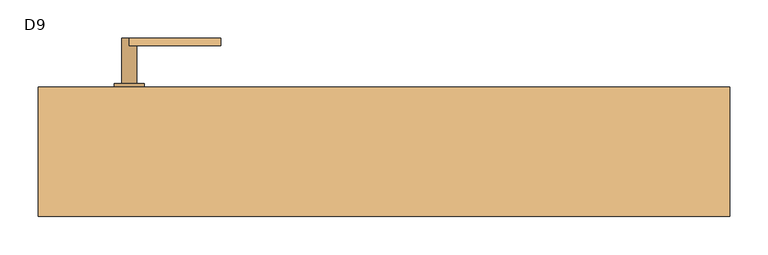
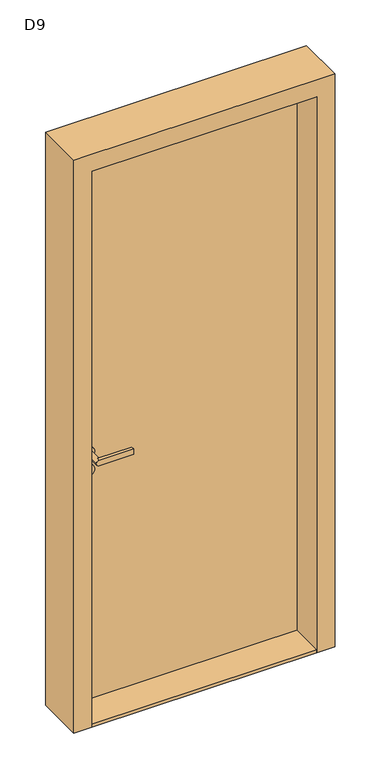
"""IFC4 building model written with IfcOpenShell, lengths in millimetres: door geometry, D9."""

from ifc_helpers import new_model, si_unit, point, frame, frame_2d, origin, origin_with_axes, place, context, project, spatial, polyline, circle_curve, trimmed, segment, composite_curve, outline, extrude, source, transform, mapped, element, save
from ifc_brep_helpers import plane_surface, cylinder_surface, advanced_brep


def d9_ddbd5aa5(model_context):
    return source(origin(), model_context, "Body", "SolidModel", [
        extrude(outline(composite_curve([segment(trimmed(circle_curve(frame_2d((920.0, -335.0)), 20.0), [point((920.0, -355.0))], [point((920.0, -315.0))], False, "CARTESIAN"), True, "CONTINUOUS"), segment(trimmed(circle_curve(frame_2d((920.0, -335.0)), 20.0), [point((920.0, -315.0))], [point((920.0, -355.0))], False, "CARTESIAN"), True, "CONTINUOUS")], self_intersect=False)), frame((0.0, 30.0, 0.0), z_axis=(0.0, 1.0, 0.0), x_axis=(0.0, 0.0, 1.0)), (0.0, 0.0, 1.0), 5.0),
        advanced_brep(
        [(-335.0, -30.0, 910.0), (-215.0, -30.0, 910.0), (-215.0, -30.0, 930.0), (-335.0, -30.0, 930.0), (-345.0, -30.0, 920.0), (-335.0, -20.0, 930.0), (-215.0, -20.0, 930.0), (-215.0, -20.0, 910.0), (-335.0, -20.0, 910.0), (-325.0, -20.0, 920.0), (-345.0, 30.0, 920.0), (-325.0, 30.0, 920.0)],
        [
            (0, 1),
            (1, 2),
            (2, 3),
            (3, 4, circle_curve(frame((-335.0, -30.0, 920.0), z_axis=(0.0, -1.0, 0.0), x_axis=(1.0, 0.0, 0.0)), 10.0)),
            (4, 0, circle_curve(frame((-335.0, -30.0, 920.0), z_axis=(0.0, -1.0, 0.0), x_axis=(1.0, 0.0, 0.0)), 10.0)),
            (5, 6),
            (6, 7),
            (7, 8),
            (8, 9, circle_curve(frame((-335.0, -20.0, 920.0), z_axis=(0.0, -1.0, 0.0), x_axis=(1.0, 0.0, 0.0)), 10.0)),
            (9, 5, circle_curve(frame((-335.0, -20.0, 920.0), z_axis=(0.0, -1.0, 0.0), x_axis=(1.0, 0.0, 0.0)), 10.0)),
            (0, 8),
            (7, 1),
            (6, 2),
            (5, 3),
            (10, 11, circle_curve(frame((-335.0, 30.0, 920.0), z_axis=(0.0, 1.0, 0.0), x_axis=(1.0, 0.0, 0.0)), 10.0)),
            (11, 10, circle_curve(frame((-335.0, 30.0, 920.0), z_axis=(0.0, 1.0, 0.0), x_axis=(1.0, 0.0, 0.0)), 10.0)),
            (11, 9),
            (4, 10),
        ],
        [
            plane_surface(frame((-348.6268847, -30.0, 910.0), z_axis=(0.0, -1.0, 0.0), x_axis=(1.0, 0.0, 0.0))),
            plane_surface(frame((-348.6268847, -20.0, 910.0), z_axis=(0.0, 1.0, 0.0), x_axis=(-1.0, 0.0, 0.0))),
            plane_surface(frame((-335.0, -30.0, 910.0), z_axis=(0.0, 0.0, -1.0), x_axis=(0.0, 1.0, 0.0))),
            plane_surface(frame((-215.0, -30.0, 910.0), z_axis=(1.0, 0.0, 0.0), x_axis=(0.0, 1.0, 0.0))),
            plane_surface(frame((-215.0, -30.0, 930.0), z_axis=(0.0, 0.0, 1.0), x_axis=(0.0, 1.0, 0.0))),
            plane_surface(frame((-325.0, 30.0, 920.0), z_axis=(0.0, 1.0, 0.0), x_axis=(0.0, 0.0, -1.0))),
            cylinder_surface(frame((-335.0, 30.0, 920.0), z_axis=(0.0, -1.0, 0.0), x_axis=(1.0, 0.0, 0.0)), 10.0),
        ],
        [
            (0, [[1, 2, 3, 4, 5]]),
            (1, [[6, 7, 8, 9, 10]]),
            (2, [[-1, 11, -8, 12]]),
            (3, [[-2, -12, -7, 13]]),
            (4, [[-3, -13, -6, 14]]),
            (5, [[15, 16]]),
            (6, [[-16, 17, -9, -11, -5, 18]]),
            (6, [[-15, -18, -4, -14, -10, -17]]),
        ],
    ),
        extrude(outline(composite_curve([segment(trimmed(circle_curve(frame_2d((855.0, -335.0)), 20.0), [point((855.0, -355.0))], [point((855.0, -315.0))], False, "CARTESIAN"), True, "CONTINUOUS"), segment(trimmed(circle_curve(frame_2d((855.0, -335.0)), 20.0), [point((855.0, -315.0))], [point((855.0, -355.0))], False, "CARTESIAN"), True, "CONTINUOUS")], self_intersect=False)), frame((0.0, 30.0, 0.0), z_axis=(0.0, 1.0, 0.0), x_axis=(0.0, 0.0, 1.0)), (0.0, 0.0, 1.0), 5.0),
        extrude(outline(composite_curve([segment(trimmed(circle_curve(frame_2d((920.0, -335.0)), 20.0), [point((920.0, -355.0))], [point((920.0, -315.0))], False, "CARTESIAN"), True, "CONTINUOUS"), segment(trimmed(circle_curve(frame_2d((920.0, -335.0)), 20.0), [point((920.0, -315.0))], [point((920.0, -355.0))], False, "CARTESIAN"), True, "CONTINUOUS")], self_intersect=False)), frame((0.0, 85.0, 0.0), z_axis=(0.0, 1.0, 0.0), x_axis=(0.0, 0.0, 1.0)), (0.0, 0.0, 1.0), 5.0),
        advanced_brep(
        [(-335.0, 150.0, 910.0), (-345.0, 150.0, 920.0), (-335.0, 150.0, 930.0), (-215.0, 150.0, 930.0), (-215.0, 150.0, 910.0), (-335.0, 140.0, 930.0), (-325.0, 140.0, 920.0), (-335.0, 140.0, 910.0), (-215.0, 140.0, 910.0), (-215.0, 140.0, 930.0), (-345.0, 90.0, 920.0), (-325.0, 90.0, 920.0)],
        [
            (0, 1, circle_curve(frame((-335.0, 150.0, 920.0), z_axis=(0.0, 1.0, 0.0), x_axis=(1.0, 0.0, 0.0)), 10.0)),
            (1, 2, circle_curve(frame((-335.0, 150.0, 920.0), z_axis=(0.0, 1.0, 0.0), x_axis=(1.0, 0.0, 0.0)), 10.0)),
            (2, 3),
            (3, 4),
            (4, 0),
            (5, 6, circle_curve(frame((-335.0, 140.0, 920.0), z_axis=(0.0, 1.0, 0.0), x_axis=(1.0, 0.0, 0.0)), 10.0)),
            (6, 7, circle_curve(frame((-335.0, 140.0, 920.0), z_axis=(0.0, 1.0, 0.0), x_axis=(1.0, 0.0, 0.0)), 10.0)),
            (7, 8),
            (8, 9),
            (9, 5),
            (4, 8),
            (7, 0),
            (3, 9),
            (2, 5),
            (10, 11, circle_curve(frame((-335.0, 90.0, 920.0), z_axis=(0.0, -1.0, 0.0), x_axis=(1.0, 0.0, 0.0)), 10.0)),
            (11, 10, circle_curve(frame((-335.0, 90.0, 920.0), z_axis=(0.0, -1.0, 0.0), x_axis=(1.0, 0.0, 0.0)), 10.0)),
            (10, 1),
            (6, 11),
        ],
        [
            plane_surface(frame((-348.6268847, 150.0, 910.0), z_axis=(0.0, 1.0, 0.0), x_axis=(1.0, 0.0, 0.0))),
            plane_surface(frame((-348.6268847, 140.0, 910.0), z_axis=(0.0, -1.0, 0.0), x_axis=(-1.0, 0.0, 0.0))),
            plane_surface(frame((-335.0, 150.0, 910.0), z_axis=(0.0, 0.0, -1.0), x_axis=(0.0, -1.0, 0.0))),
            plane_surface(frame((-215.0, 150.0, 910.0), z_axis=(1.0, 0.0, 0.0), x_axis=(0.0, -1.0, 0.0))),
            plane_surface(frame((-215.0, 150.0, 930.0), z_axis=(0.0, 0.0, 1.0), x_axis=(0.0, -1.0, 0.0))),
            plane_surface(frame((-325.0, 90.0, 920.0), z_axis=(0.0, -1.0, 0.0), x_axis=(0.0, 0.0, -1.0))),
            cylinder_surface(frame((-335.0, 90.0, 920.0), z_axis=(0.0, 1.0, 0.0), x_axis=(1.0, 0.0, 0.0)), 10.0),
        ],
        [
            (0, [[1, 2, 3, 4, 5]]),
            (1, [[6, 7, 8, 9, 10]]),
            (2, [[11, -8, 12, -5]]),
            (3, [[13, -9, -11, -4]]),
            (4, [[14, -10, -13, -3]]),
            (5, [[15, 16]]),
            (6, [[17, -1, -12, -7, 18, -15]]),
            (6, [[-18, -6, -14, -2, -17, -16]]),
        ],
    ),
        extrude(outline(composite_curve([segment(trimmed(circle_curve(frame_2d((855.0, -335.0)), 20.0), [point((855.0, -355.0))], [point((855.0, -315.0))], False, "CARTESIAN"), True, "CONTINUOUS"), segment(trimmed(circle_curve(frame_2d((855.0, -335.0)), 20.0), [point((855.0, -315.0))], [point((855.0, -355.0))], False, "CARTESIAN"), True, "CONTINUOUS")], self_intersect=False)), frame((0.0, 85.0, 0.0), z_axis=(0.0, 1.0, 0.0), x_axis=(0.0, 0.0, 1.0)), (0.0, 0.0, 1.0), 5.0),
        extrude(outline(polyline([(-392.5, 85.0), (392.5, 85.0), (392.5, 35.0), (-392.5, 35.0), (-392.5, 85.0)])), frame((0.0, 0.0, 10.0), z_axis=(0.0, 0.0, 1.0), x_axis=(1.0, 0.0, 0.0)), (0.0, 0.0, 1.0), 2037.5),
        extrude(outline(polyline([(2110.0, 455.0), (2110.0, -455.0), (0.0, -455.0), (0.0, -392.5), (2047.5, -392.5), (2047.5, 392.5), (0.0, 392.5), (0.0, 455.0), (2110.0, 455.0)])), frame((0.0, -85.0, 0.0), z_axis=(0.0, 1.0, 0.0), x_axis=(0.0, 0.0, 1.0)), (0.0, 0.0, 1.0), 170.0),
        extrude(outline(polyline([(-392.5, -85.0), (-392.5, 85.0), (392.5, 85.0), (392.5, -85.0), (-392.5, -85.0)])), origin_with_axes(), (0.0, 0.0, 1.0), 10.0),
    ])


if __name__ == "__main__":
    model = new_model("IFC4")
    model_context = context("Model", 3, world=origin())
    ifc_project = project(units=[si_unit("LENGTHUNIT", "METRE", prefix="MILLI")], contexts=[model_context])
    site = spatial("IfcSite", under=ifc_project)
    building = spatial("IfcBuilding", under=site)
    placement = place(None, origin())
    d9_shape = d9_ddbd5aa5(model_context)
    element("IfcDoor", 1, ObjectType="D9", at=placement, inside=building, context=model_context, shape_type="MappedRepresentation", body=[
        mapped(d9_shape, transform((0.0, 0.0, 0.0), x_axis=(1.0, 0.0, 0.0), y_axis=(0.0, 1.0, 0.0), z_axis=(0.0, 0.0, 1.0))),
    ])
    save(model, "model.ifc")
